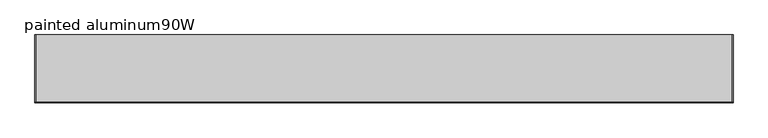
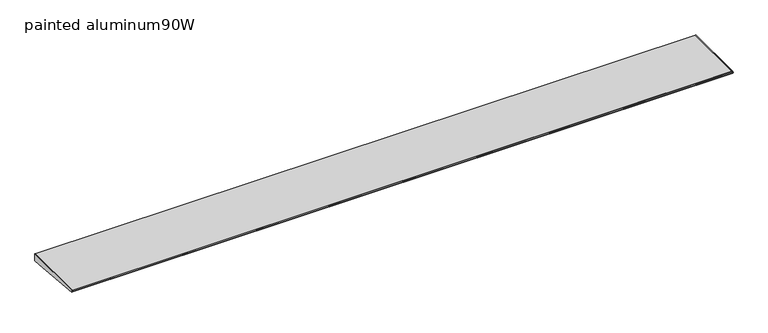
"""IFC4 building model written with IfcOpenShell, lengths in millimetres: furniture geometry, painted aluminum90W."""

from ifc_helpers import new_model, si_unit, frame, origin, place, context, project, spatial, polyline, outline, extrude, source, transform, mapped, element, save


def painted_aluminum90w_858c93eb(model_context):
    return source(origin(), model_context, "Body", "SweptSolid", [
        extrude(outline(polyline([(-222.022331, 1325.0736755), (-220.8911683, 1326.5380929), (-218.9431893, 1327.15), (0.0, 1327.15), (0.0, 1301.75), (-25.3684852, 1301.75), (-219.3540346, 1320.8152236), (-221.1050905, 1321.560368), (-222.1155121, 1323.1729581), (-222.022331, 1325.0736755)])), frame((2281.4279999, 0.0, 0.0), z_axis=(1.0, 0.0, 0.0), x_axis=(0.0, 1.0, 0.0)), (0.0, 0.0, 1.0), 2.032),
        extrude(outline(polyline([(-222.022331, 1325.0736755), (-220.8911683, 1326.5380929), (-218.9431893, 1327.15), (0.0, 1327.15), (0.0, 1301.75), (-25.3684852, 1301.75), (-219.3540346, 1320.8152236), (-221.1050905, 1321.560368), (-222.1155121, 1323.1729581), (-222.022331, 1325.0736755)])), frame((2.5400001, 0.0, 0.0), z_axis=(1.0, 0.0, 0.0), x_axis=(0.0, 1.0, 0.0)), (0.0, 0.0, 1.0), 2.032),
        extrude(outline(polyline([(0.0, 1327.15), (0.0, 1301.75), (-25.3684852, 1301.75), (-219.3540346, 1320.8152236), (-221.1050905, 1321.560368), (-222.1155121, 1323.1729581), (-222.022331, 1325.0736755), (-220.8911683, 1326.5380929), (-218.9431893, 1327.15), (0.0, 1327.15)])), frame((4.5720001, 0.0, 0.0), z_axis=(1.0, 0.0, 0.0), x_axis=(0.0, 1.0, 0.0)), (0.0, 0.0, 1.0), 2276.8559997),
    ])


if __name__ == "__main__":
    model = new_model("IFC4")
    model_context = context("Model", 3, world=origin())
    ifc_project = project(units=[si_unit("LENGTHUNIT", "METRE", prefix="MILLI")], contexts=[model_context])
    site = spatial("IfcSite", under=ifc_project)
    building = spatial("IfcBuilding", under=site)
    placement = place(None, origin())
    painted_aluminum90w_shape = painted_aluminum90w_858c93eb(model_context)
    element("IfcFurniture", 1, ObjectType="painted aluminum90W", at=placement, inside=building, context=model_context, shape_type="MappedRepresentation", body=[
        mapped(painted_aluminum90w_shape, transform((0.0, 0.0, 0.0), x_axis=(1.0, 0.0, 0.0), y_axis=(0.0, 1.0, 0.0), z_axis=(0.0, 0.0, 1.0))),
    ])
    save(model, "model.ifc")
